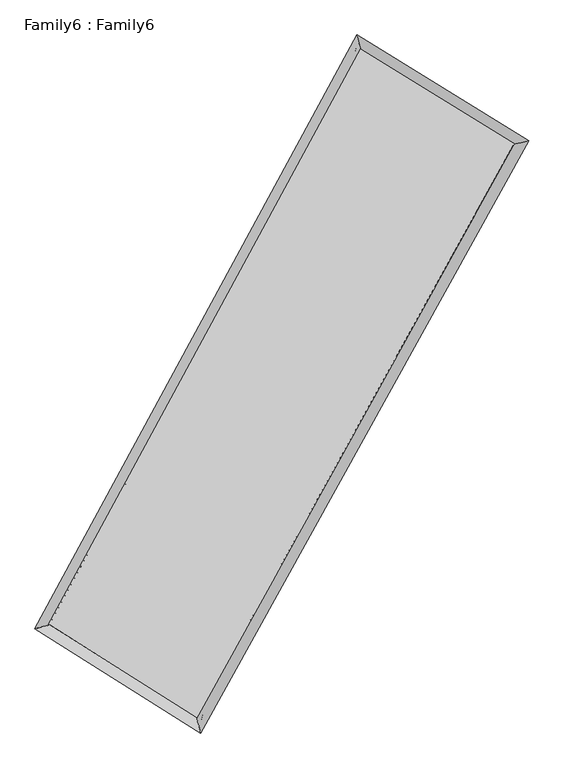
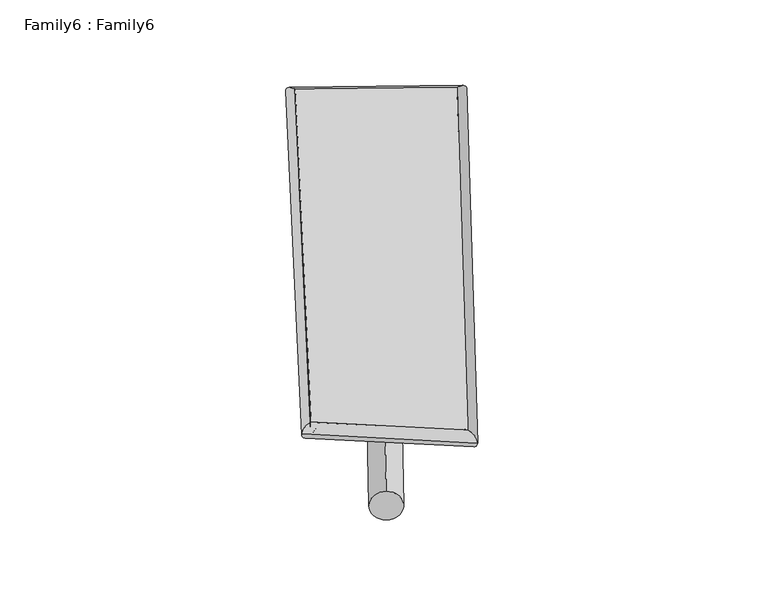
"""IFC4 building model written with IfcOpenShell, lengths in millimetres: plate geometry, Family6 : Family6."""

from ifc_helpers import new_model, si_unit, point, frame, origin, origin_2d, place, context, project, spatial, circle_curve, ellipse_curve, trimmed, segment, composite_curve, outline, extrude, source, transform, mapped, element, save
from ifc_brep_helpers import plane_surface, cylinder_surface, spline_surface, advanced_brep


def family6_family6_b8e4b62d(model_context):
    return source(origin(), model_context, "Body", "SolidModel", [
        extrude(outline(composite_curve([segment(trimmed(circle_curve(origin_2d(), 76.2), [point((-75.4341514, -10.7763073))], [point((75.4341514, 10.7763073))], False, "CARTESIAN"), True, "CONTINUOUS"), segment(trimmed(circle_curve(origin_2d(), 76.2), [point((75.4341514, 10.7763073))], [point((-75.4341514, -10.7763073))], False, "CARTESIAN"), True, "CONTINUOUS")], self_intersect=False)), frame((9144.0, 9144.0, 0.0), z_axis=(0.6714007949153289, 0.6840114294348764, 0.285218051654382), x_axis=(-0.677364064008798, 0.722535118228223, -0.13827844270316741)), (0.0, 0.0, 1.0), 5506.6630218),
        extrude(outline(composite_curve([segment(trimmed(circle_curve(origin_2d(), 76.2), [point((-53.8815367, 53.8815367))], [point((53.8815367, -53.8815367))], False, "CARTESIAN"), True, "CONTINUOUS"), segment(trimmed(circle_curve(origin_2d(), 76.2), [point((53.8815367, -53.8815367))], [point((-53.8815367, 53.8815367))], False, "CARTESIAN"), True, "CONTINUOUS")], self_intersect=False)), frame((9144.0, 9144.0, 0.0), z_axis=(-0.6653680211410622, -0.6892897438752807, 0.28664445822512796), x_axis=(0.6515251385086852, -0.3487467849191976, 0.6737140891355631)), (0.0, 0.0, 1.0), 5482.946267),
        extrude(outline(composite_curve([segment(trimmed(circle_curve(origin_2d(), 76.2), [point((-53.8815367, -53.8815367))], [point((53.8815367, 53.8815367))], False, "CARTESIAN"), True, "CONTINUOUS"), segment(trimmed(circle_curve(origin_2d(), 76.2), [point((53.8815367, 53.8815367))], [point((-53.8815367, -53.8815367))], False, "CARTESIAN"), True, "CONTINUOUS")], self_intersect=False)), frame((9144.0, 9144.0, 0.0), z_axis=(0.22489004463479875, 0.9383130958568753, 0.2626651898665763), x_axis=(-0.8469212276026614, 0.32153364689354025, -0.42348618413277805)), (0.0, 0.0, 1.0), 5611.1576003),
        extrude(outline(composite_curve([segment(trimmed(circle_curve(origin_2d(), 76.2), [point((-75.4341514, 10.7763074))], [point((75.4341514, -10.7763074))], False, "CARTESIAN"), True, "CONTINUOUS"), segment(trimmed(circle_curve(origin_2d(), 76.2), [point((75.4341514, -10.7763074))], [point((-75.4341514, 10.7763074))], False, "CARTESIAN"), True, "CONTINUOUS")], self_intersect=False)), frame((9144.0, 9144.0, 0.0), z_axis=(-0.23257690436855244, -0.9365128372606615, 0.26239605408680783), x_axis=(0.8916483047247068, -0.09756843450643146, 0.44209015061356055)), (0.0, 0.0, 1.0), 5612.1656903),
        advanced_brep(
        [(5294.1331802, 5312.1484169, 1565.1814557), (5293.9366705, 5311.8102223, 1580.6169279), (5697.5126044, 5417.1743269, 1578.1308687), (10462.916349, 14195.0589518, 1483.2120043), (10348.8706173, 14622.9863668, 1464.4995486), (5697.7091141, 5417.5125215, 1562.6953965), (12637.2964584, 12857.1881438, 1569.5912605), (13045.0594019, 12964.052746, 1571.6081359), (7783.59612, 4102.9684555, 1474.5152225), (7893.8836338, 3673.3011168, 1470.7050416)],
        [
            (0, 1, ellipse_curve(frame((5495.8228923, 5364.6613719, 1571.6561622), z_axis=(-0.25246460688868805, 0.96743901417082, 0.017982661892271035), x_axis=(-0.9669155807046915, -0.2529428649786237, 0.033078192920940795)), 208.8906175, 152.4)),
            (1, 2, ellipse_curve(frame((5495.8228923, 5364.6613719, 1571.6561622), z_axis=(-0.25246460688868805, 0.96743901417082, 0.017982661892271035), x_axis=(-0.9669155807046915, -0.2529428649786237, 0.033078192920940795)), 208.8906175, 152.4)),
            (2, 3),
            (3, 4, ellipse_curve(frame((10405.8934832, 14409.0226593, 1473.8557765), z_axis=(-0.965929626491416, -0.2582002848723913, -0.0176796368166764), x_axis=(0.25761615068523785, -0.9657868158546811, 0.02982859747620285)), 221.6484446, 152.4)),
            (4, 0),
            (2, 5, ellipse_curve(frame((5495.8228923, 5364.6613719, 1571.6561622), z_axis=(-0.25246460688868805, 0.96743901417082, 0.017982661892271035), x_axis=(-0.9669155807046915, -0.2529428649786237, 0.033078192920940795)), 208.8906175, 152.4)),
            (5, 0, ellipse_curve(frame((5495.8228923, 5364.6613719, 1571.6561622), z_axis=(-0.25246460688868805, 0.96743901417082, 0.017982661892271035), x_axis=(-0.9669155807046915, -0.2529428649786237, 0.033078192920940795)), 208.8906175, 152.4)),
            (4, 3, ellipse_curve(frame((10405.8934832, 14409.0226593, 1473.8557765), z_axis=(-0.965929626491416, -0.2582002848723913, -0.0176796368166764), x_axis=(0.25761615068523785, -0.9657868158546811, 0.02982859747620285)), 221.6484446, 152.4)),
            (3, 6),
            (6, 7, ellipse_curve(frame((12841.1779301, 12910.6204449, 1570.5996982), z_axis=(-0.25340006180778823, 0.9672153188699226, -0.01682069021065861), x_axis=(-0.9667432513913375, -0.25382140934499375, -0.03133971996407066)), 210.8371996, 152.4)),
            (7, 4),
            (7, 6, ellipse_curve(frame((12841.1779301, 12910.6204449, 1570.5996982), z_axis=(-0.25340006180778823, 0.9672153188699226, -0.01682069021065861), x_axis=(-0.9667432513913375, -0.25382140934499375, -0.03133971996407066)), 210.8371996, 152.4)),
            (6, 8),
            (8, 9, ellipse_curve(frame((7838.7398769, 3888.1347862, 1472.610132), z_axis=(0.9683831350245339, 0.24873511814716193, -0.019103528479647473), x_axis=(-0.24808394740622652, 0.9682384145075968, 0.031124390936367628)), 221.8692317, 152.4)),
            (9, 7),
            (9, 8, ellipse_curve(frame((7838.7398769, 3888.1347862, 1472.610132), z_axis=(0.9683831350245339, 0.24873511814716193, -0.019103528479647473), x_axis=(-0.24808394740622652, 0.9682384145075968, 0.031124390936367628)), 221.8692317, 152.4)),
            (8, 5),
            (1, 9),
        ],
        [
            cylinder_surface(frame((5495.8228923, 5364.6613719, 1571.6561622), z_axis=(-0.47709091886292254, -0.8788025665276484, 0.009502852358668004), x_axis=(-0.8779151768282607, 0.4760538031332314, -0.05135872678513669)), 152.4),
            cylinder_surface(frame((10405.8934832, 14409.0226593, 1473.8557765), z_axis=(-0.8512078234732994, 0.5237382799992141, -0.033815016210452624), x_axis=(0.5246050875966249, 0.8509580631145617, -0.02568806898252989)), 152.4),
            cylinder_surface(frame((12841.1779301, 12910.6204449, 1570.5996982), z_axis=(0.4848761752347429, 0.874531236730279, 0.009497929918442363), x_axis=(0.8745793611205095, -0.4848761752347429, -0.0024567848437324204)), 152.4),
            cylinder_surface(frame((7838.7398769, 3888.1347862, 1472.610132), z_axis=(0.8454713329985293, -0.5328233603030404, -0.03574201719358734), x_axis=(-0.5322278192579164, -0.8462231850758822, 0.025295640889137244)), 152.4),
        ],
        [
            (0, [[1, 2, 3, 4, 5]]),
            (0, [[6, 7, -5, 8, -3]]),
            (1, [[-4, 9, 10, 11]]),
            (1, [[-8, -11, 12, -9]]),
            (2, [[-10, 13, 14, 15]]),
            (2, [[-12, -15, 16, -13]]),
            (3, [[-14, 17, -6, -2, 18]]),
            (3, [[-16, -18, -1, -7, -17]]),
        ],
    ),
        extrude(outline(composite_curve([segment(trimmed(circle_curve(origin_2d(), 304.8), [point((1e-07, 304.8))], [point((0.0, -304.7999999))], False, "CARTESIAN"), True, "CONTINUOUS"), segment(trimmed(circle_curve(origin_2d(), 304.8), [point((0.0, -304.7999999))], [point((1e-07, 304.8))], False, "CARTESIAN"), True, "CONTINUOUS")], self_intersect=False)), frame((11676.6581545, 13648.0731043, -0.0803039), z_axis=(-0.4901314294555887, -0.8716485424861935, 1.554078014470764e-05), x_axis=(-0.8716485426152326, 0.4901314294555887, -4.0696875584678715e-06)), (0.0, 0.0, 1.0), 10334.6082389),
        advanced_brep(
        [(5495.8228923, 5364.6613719, 1571.6561622), (7838.7398769, 3888.1347862, 1472.610132), (7838.7169355, 3888.1433491, 1625.0101301), (5495.7999508, 5364.6699349, 1724.0561602), (12841.1779301, 12910.6204449, 1570.5996982), (12841.1549887, 12910.6290079, 1722.9996962), (10405.8934832, 14409.0226593, 1473.8557765), (10405.8705417, 14409.0312222, 1626.2557745)],
        [
            (0, 1),
            (1, 2),
            (2, 3),
            (3, 0),
            (1, 4),
            (4, 5),
            (5, 2),
            (4, 6),
            (6, 7),
            (7, 5),
            (6, 0),
            (3, 7),
        ],
        [
            plane_surface(frame((6667.2813846, 4626.398079, 1522.1331471), z_axis=(-0.5331650153504802, -0.8460112678536975, -3.272463619327301e-05), x_axis=(0.8454713329985294, -0.5328233603030401, -0.03574201719358735))),
            plane_surface(frame((10339.9589035, 8399.3776155, 1521.6049151), z_axis=(0.8745699425405618, -0.4848993610595902, 0.00015889808012650546), x_axis=(0.4848761752347428, 0.8745312367302791, 0.00949792991844234))),
            plane_surface(frame((11623.5357067, 13659.8215521, 1522.2277373), z_axis=(0.5240370782346472, 0.8516954500714206, 3.10311884697996e-05), x_axis=(-0.8512078234732994, 0.5237382799992141, -0.03381501621045263))),
            plane_surface(frame((7950.8581877, 9886.8420156, 1522.7559693), z_axis=(-0.8788429592710156, 0.4771111271242496, -0.00015910371671482883), x_axis=(-0.4770909188629229, -0.8788025665276481, 0.00950285235866799))),
            spline_surface(1, 1, [[(7838.7169355, 3888.1433491, 1625.0101301), (5495.7999508, 5364.6699349, 1724.0561602)], [(12841.1549887, 12910.6290079, 1722.9996962), (10405.8705417, 14409.0312222, 1626.2557745)]], [2, 2], [2, 2], [0.0, 1.0], [0.0, 1.0]),
            spline_surface(1, 1, [[(10405.8934832, 14409.0226593, 1473.8557765), (5495.8228923, 5364.6613719, 1571.6561622)], [(12841.1779301, 12910.6204449, 1570.5996982), (7838.7398769, 3888.1347862, 1472.610132)]], [2, 2], [2, 2], [0.0, 1.0], [0.0, 1.0]),
        ],
        [
            (0, [[1, 2, 3, 4]]),
            (1, [[5, 6, 7, -2]]),
            (2, [[8, 9, 10, -6]]),
            (3, [[11, -4, 12, -9]]),
            (4, [[-3, -7, -10, -12]]),
            (5, [[-11, -8, -5, -1]]),
        ],
    ),
    ])


if __name__ == "__main__":
    model = new_model("IFC4")
    model_context = context("Model", 3, world=origin())
    ifc_project = project(units=[si_unit("LENGTHUNIT", "METRE", prefix="MILLI")], contexts=[model_context])
    site = spatial("IfcSite", under=ifc_project)
    building = spatial("IfcBuilding", under=site)
    placement = place(None, origin())
    family6_family6_shape = family6_family6_b8e4b62d(model_context)
    element("IfcPlate", 1, ObjectType="Family6 : Family6", at=placement, inside=building, context=model_context, shape_type="MappedRepresentation", body=[
        mapped(family6_family6_shape, transform((0.0, 0.0, 0.0), x_axis=(1.0, 0.0, 0.0), y_axis=(0.0, 1.0, 0.0), z_axis=(0.0, 0.0, 1.0))),
    ])
    save(model, "model.ifc")
